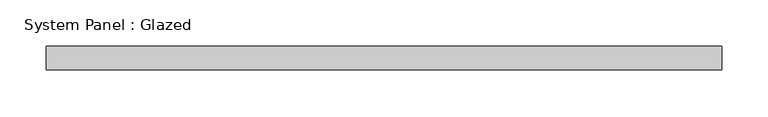
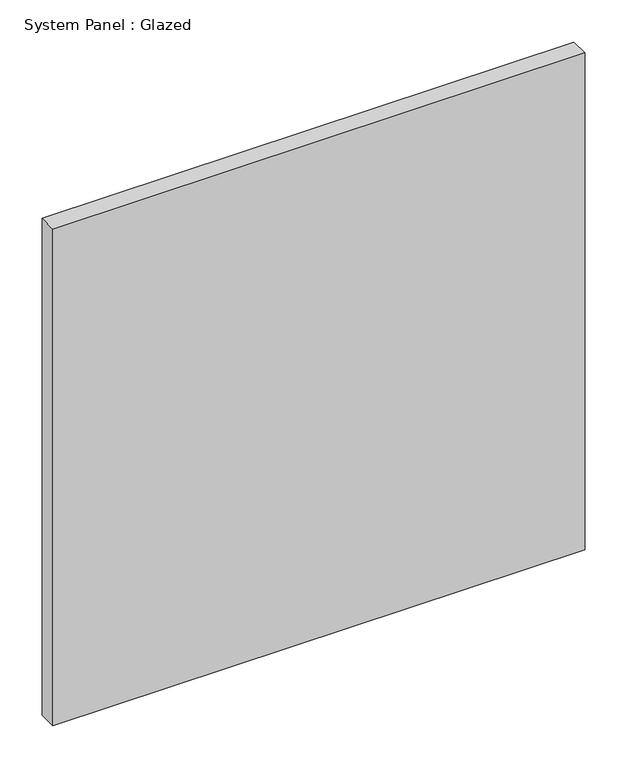
"""IFC4 building model written with IfcOpenShell, lengths in millimetres: plate geometry, System Panel : Glazed."""

import ifcopenshell
import ifcopenshell.guid

model = None  # the IFC model being written
_history = None  # IfcOwnerHistory: only IFC2X3 demands one
_inside = {}  # id of a spatial element -> (the spatial element, [elements in it])
_under = {}  # id of a project, library or spatial element -> (it, [spatial elements below it])
_declared = {}  # id of a project -> (the project, [libraries it declares])
_typed = {}  # id of a type object -> (the type object, [elements of that type])
_made_of = {}  # id of a material, layer set ... -> (it, [elements and type objects made of it])


def new_model(schema):
    """Start an empty IFC model of exactly this schema.

    Asked for "IFC4X3", IfcOpenShell would pick the latest addendum, in which some entities
    have other attributes; the version numbers below select the first issue.
    IFC2X3 requires an IfcOwnerHistory on every rooted entity: one is made here for all.
    """
    global model, _history
    if schema == "IFC4X3":
        model = ifcopenshell.file(schema_version=(4, 3, 0, 0))
    else:
        model = ifcopenshell.file(schema=schema)
    _inside.clear()
    _under.clear()
    _declared.clear()
    _typed.clear()
    _made_of.clear()
    _history = None
    if model.schema == "IFC2X3":
        org = make("IfcOrganization", Name="unknown")
        user = make(
            "IfcPersonAndOrganization",
            ThePerson=make("IfcPerson", FamilyName="unknown"),
            TheOrganization=org,
        )
        app = make(
            "IfcApplication",
            ApplicationDeveloper=org,
            Version="unknown",
            ApplicationFullName="unknown",
            ApplicationIdentifier="unknown",
        )
        _history = make(
            "IfcOwnerHistory",
            OwningUser=user,
            OwningApplication=app,
            ChangeAction="ADDED",
            CreationDate=0,
        )
    return model


def make(cls, **values):
    """One entity of the class cls with the attributes given. An attribute that is None is left unset."""
    return model.create_entity(
        cls, **{name: value for name, value in values.items() if value is not None}
    )


def rooted(cls, **values):
    """An entity with a GlobalId (a new one), such as an element, a storey or a relation."""
    return make(cls, GlobalId=ifcopenshell.guid.new(), OwnerHistory=_history, **values)


def si_unit(unit_type, name, prefix=None):
    """IfcSIUnit, for example si_unit("LENGTHUNIT", "METRE", prefix="MILLI")."""
    return make("IfcSIUnit", UnitType=unit_type, Prefix=prefix, Name=name)


def assignment(units):
    """IfcUnitAssignment: the units of a project."""
    return None if units is None else make("IfcUnitAssignment", Units=units)


def point(xyz):
    """IfcCartesianPoint."""
    return None if xyz is None else make("IfcCartesianPoint", Coordinates=xyz)


def direction(xyz):
    """IfcDirection."""
    return None if xyz is None else make("IfcDirection", DirectionRatios=xyz)


def frame(location, z_axis=None, x_axis=None):
    """IfcAxis2Placement3D, a coordinate frame: its origin and axes. An axis left out is left unset."""
    return make(
        "IfcAxis2Placement3D",
        Location=point(location),
        Axis=direction(z_axis),
        RefDirection=direction(x_axis),
    )


def origin():
    """The frame at (0, 0, 0) with its axes left unset."""
    return frame((0.0, 0.0, 0.0))


def origin_with_axes():
    """The frame at (0, 0, 0) with the z axis (0, 0, 1) and the x axis (1, 0, 0) written out."""
    return frame((0.0, 0.0, 0.0), z_axis=(0.0, 0.0, 1.0), x_axis=(1.0, 0.0, 0.0))


def place(relative_to, where):
    """IfcLocalPlacement: puts the frame where relative to a parent placement (None: the world)."""
    return make(
        "IfcLocalPlacement", PlacementRelTo=relative_to, RelativePlacement=where
    )


def context(
    kind, dimensions, precision=None, world=None, true_north=None, identifier=None
):
    """IfcGeometricRepresentationContext, for example the 3D "Model" context."""
    return make(
        "IfcGeometricRepresentationContext",
        ContextIdentifier=identifier,
        ContextType=kind,
        CoordinateSpaceDimension=dimensions,
        Precision=precision,
        WorldCoordinateSystem=world,
        TrueNorth=true_north,
    )


def project(units=None, contexts=None):
    """IfcProject with its units and contexts."""
    return rooted(
        "IfcProject",
        Name="project",
        RepresentationContexts=contexts,
        UnitsInContext=assignment(units),
    )


def spatial(cls, under=None, at=None, **own):
    """A site, building, storey or space (cls), placed at a placement, below another one or the project."""
    s = rooted(cls, ObjectPlacement=at, **own)
    if under is not None:
        _under.setdefault(under.id(), (under, []))[1].append(s)
    return s


def polyline(points):
    """IfcPolyline through the points."""
    return make("IfcPolyline", Points=[point(p) for p in points])


def outline(outer, holes=None, kind="AREA"):
    """IfcArbitraryClosedProfileDef: a profile drawn as a closed curve; with holes, ...WithVoids."""
    if holes is None:
        return make("IfcArbitraryClosedProfileDef", ProfileType=kind, OuterCurve=outer)
    return make(
        "IfcArbitraryProfileDefWithVoids",
        ProfileType=kind,
        OuterCurve=outer,
        InnerCurves=holes,
    )


def extrude(swept, where, along, depth):
    """IfcExtrudedAreaSolid: the profile swept, set in the frame where, extruded along a direction by depth."""
    return make(
        "IfcExtrudedAreaSolid",
        SweptArea=swept,
        Position=where,
        ExtrudedDirection=direction(along),
        Depth=depth,
    )


def shape(context_of_items, identifier, shape_type, items):
    """IfcShapeRepresentation: the items that make up one representation, for example the "Body"."""
    return make(
        "IfcShapeRepresentation",
        ContextOfItems=context_of_items,
        RepresentationIdentifier=identifier,
        RepresentationType=shape_type,
        Items=items,
    )


def source(mapping_origin, context_of_items, identifier, shape_type, items):
    """IfcRepresentationMap: a shape defined once, which mapped items show again and again."""
    return make(
        "IfcRepresentationMap",
        MappingOrigin=mapping_origin,
        MappedRepresentation=shape(context_of_items, identifier, shape_type, items),
    )


def transform(
    local_origin,
    x_axis=None,
    y_axis=None,
    z_axis=None,
    scale=None,
    scale2=None,
    scale3=None,
    uniform=True,
):
    """IfcCartesianTransformationOperator3D, or its non-uniform kind. x_axis, y_axis, z_axis: its Axis1, 2, 3."""
    if uniform:
        return make(
            "IfcCartesianTransformationOperator3D",
            Axis1=direction(x_axis),
            Axis2=direction(y_axis),
            LocalOrigin=point(local_origin),
            Scale=scale,
            Axis3=direction(z_axis),
        )
    return make(
        "IfcCartesianTransformationOperator3DnonUniform",
        Axis1=direction(x_axis),
        Axis2=direction(y_axis),
        LocalOrigin=point(local_origin),
        Scale=scale,
        Axis3=direction(z_axis),
        Scale2=scale2,
        Scale3=scale3,
    )


def mapped(mapping_source, mapping_target):
    """IfcMappedItem: shows the shape of a source again, moved by a transform."""
    return make(
        "IfcMappedItem", MappingSource=mapping_source, MappingTarget=mapping_target
    )


def made_of(thing, what):
    """Note that an element or type object is made of a material, layer set ...; save() writes the relation."""
    if what is not None:
        _made_of.setdefault(what.id(), (what, []))[1].append(thing)
    return thing


def element(
    cls,
    number,
    at=None,
    inside=None,
    cuts=None,
    type_object=None,
    material=None,
    context=None,
    identifier="Body",
    shape_type=None,
    held_by="IfcProductDefinitionShape",
    body=None,
    shapes=None,
    **own,
):
    """One element of the class cls, such as IfcWall. Its Tag is "e" and its number.

    at: its placement. inside: the storey or other place that contains it. cuts: it is an
    opening in that element (IfcRelVoidsElement). A single representation is given by context,
    identifier, shape_type and body (its items); several are given by shapes. held_by: the class
    of the entity that holds the representations. save() writes the other relations.
    """
    e = rooted(cls, Tag="e%d" % number, ObjectPlacement=at, **own)
    if body is not None:
        shapes = [shape(context, identifier, shape_type, body)]
    if shapes is not None:
        e.Representation = make(held_by, Representations=shapes)
    if inside is not None:
        _inside.setdefault(inside.id(), (inside, []))[1].append(e)
    if cuts is not None:
        rooted(
            "IfcRelVoidsElement", RelatingBuildingElement=cuts, RelatedOpeningElement=e
        )
    if type_object is not None:
        _typed.setdefault(type_object.id(), (type_object, []))[1].append(e)
    return made_of(e, material)


def aggregate(whole, parts):
    """IfcRelAggregates: a whole, such as a stair, and the parts it consists of."""
    return rooted("IfcRelAggregates", RelatingObject=whole, RelatedObjects=parts)


def save(model, path):
    """Write the relations noted so far, then the file.

    IfcRelAggregates (storeys below a building ...), IfcRelContainedInSpatialStructure (elements
    in a storey), IfcRelDefinesByType, IfcRelAssociatesMaterial and IfcRelDeclares: one each for
    every whole, place, type object, material and project.
    """
    for whole, parts in _under.values():
        aggregate(whole, parts)
    for where, things in _inside.values():
        rooted(
            "IfcRelContainedInSpatialStructure",
            RelatedElements=things,
            RelatingStructure=where,
        )
    for kind, things in _typed.values():
        rooted("IfcRelDefinesByType", RelatedObjects=things, RelatingType=kind)
    for what, things in _made_of.values():
        rooted("IfcRelAssociatesMaterial", RelatedObjects=things, RelatingMaterial=what)
    for by, libraries in _declared.values():
        rooted("IfcRelDeclares", RelatingContext=by, RelatedDefinitions=libraries)
    model.write(path)


def system_panel_glazed_7c3c4257(model_context):
    return source(origin(), model_context, "Body", "SweptSolid", [
        extrude(outline(polyline([(363.6722104, 19.05), (-363.6722104, 19.05), (-363.6722104, 44.45), (363.6722104, 44.45), (363.6722104, 19.05)])), origin_with_axes(), (0.0, 0.0, 1.0), 717.55),
    ])


if __name__ == "__main__":
    model = new_model("IFC4")
    model_context = context("Model", 3, world=origin())
    ifc_project = project(units=[si_unit("LENGTHUNIT", "METRE", prefix="MILLI")], contexts=[model_context])
    site = spatial("IfcSite", under=ifc_project)
    building = spatial("IfcBuilding", under=site)
    placement = place(None, origin())
    system_panel_glazed_shape = system_panel_glazed_7c3c4257(model_context)
    element("IfcPlate", 1, ObjectType="System Panel : Glazed", at=placement, inside=building, context=model_context, shape_type="MappedRepresentation", body=[
        mapped(system_panel_glazed_shape, transform((0.0, 0.0, 0.0), x_axis=(1.0, 0.0, 0.0), y_axis=(0.0, 1.0, 0.0), z_axis=(0.0, 0.0, 1.0))),
    ])
    save(model, "model.ifc")
